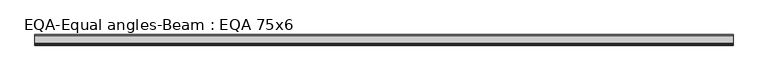
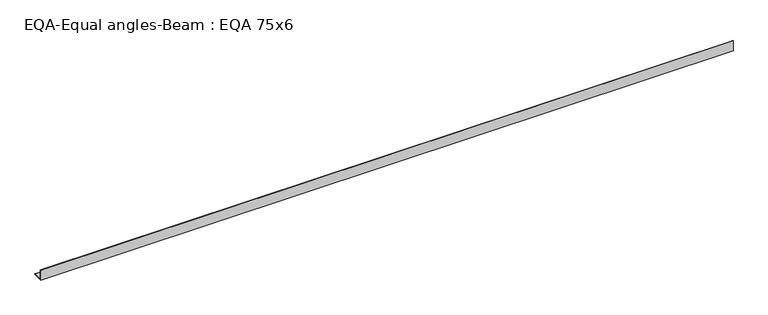
"""IFC4 building model written with IfcOpenShell, lengths in millimetres: beam geometry, EQA-Equal angles-Beam : EQA 75x6."""

from ifc_helpers import new_model, si_unit, point, frame, frame_2d, origin, place, context, project, spatial, polyline, circle_curve, trimmed, segment, composite_curve, outline, extrude, source, transform, mapped, element, save


def eqa_equal_angles_beam_eqa_75x6_c2e5fff9(model_context):
    return source(origin(), model_context, "Body", "SweptSolid", [
        extrude(outline(composite_curve([segment(polyline([(-20.5, -20.5), (-20.5, 54.5), (-19.0, 54.5)]), True, "CONTINUOUS"), segment(trimmed(circle_curve(frame_2d((-19.0, 50.0)), 4.5), [point((-19.0, 54.5))], [point((-14.5, 50.0))], False, "CARTESIAN"), True, "CONTINUOUS"), segment(polyline([(-14.5, 50.0), (-14.5, -5.5)]), True, "CONTINUOUS"), segment(trimmed(circle_curve(frame_2d((-5.5, -5.5)), 9.0), [point((-14.5, -5.5))], [point((-5.5, -14.5))], True, "CARTESIAN"), True, "CONTINUOUS"), segment(polyline([(-5.5, -14.5), (50.0, -14.5)]), True, "CONTINUOUS"), segment(trimmed(circle_curve(frame_2d((50.0, -19.0)), 4.5), [point((50.0, -14.5))], [point((54.5, -19.0))], False, "CARTESIAN"), True, "CONTINUOUS"), segment(polyline([(54.5, -19.0), (54.5, -20.5), (-20.5, -20.5)]), True, "CONTINUOUS")], self_intersect=False)), frame((-2456.8551877, 0.0, 0.0), z_axis=(1.0, 0.0, 0.0), x_axis=(0.0, 1.0, 0.0)), (0.0, 0.0, 1.0), 4943.2491966),
    ])


if __name__ == "__main__":
    model = new_model("IFC4")
    model_context = context("Model", 3, world=origin())
    ifc_project = project(units=[si_unit("LENGTHUNIT", "METRE", prefix="MILLI")], contexts=[model_context])
    site = spatial("IfcSite", under=ifc_project)
    building = spatial("IfcBuilding", under=site)
    placement = place(None, origin())
    eqa_equal_angles_beam_eqa_75x6_shape = eqa_equal_angles_beam_eqa_75x6_c2e5fff9(model_context)
    element("IfcBeam", 1, ObjectType="EQA-Equal angles-Beam : EQA 75x6", at=placement, inside=building, context=model_context, shape_type="MappedRepresentation", body=[
        mapped(eqa_equal_angles_beam_eqa_75x6_shape, transform((0.0, 0.0, 0.0), x_axis=(1.0, 0.0, 0.0), y_axis=(0.0, 1.0, 0.0), z_axis=(0.0, 0.0, 1.0))),
    ])
    save(model, "model.ifc")
